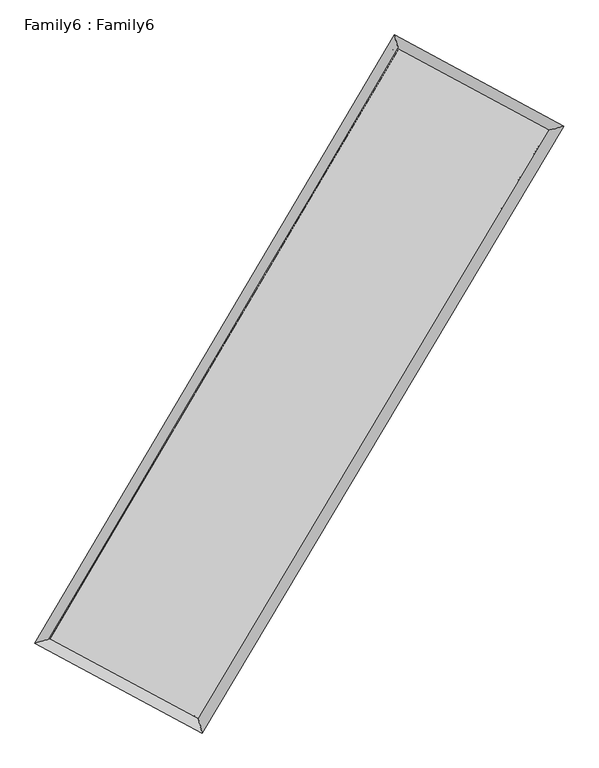
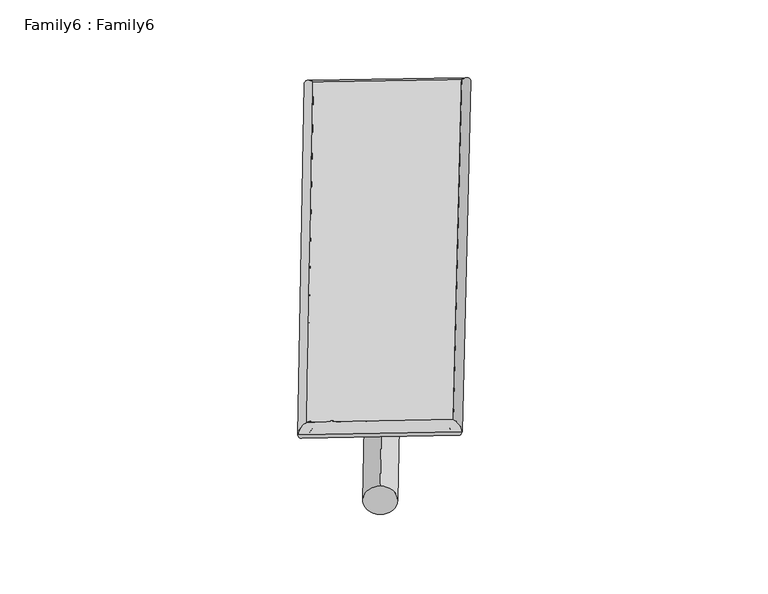
"""IFC4 building model written with IfcOpenShell, lengths in millimetres: plate geometry, Family6 : Family6."""

from ifc_helpers import new_model, si_unit, point, frame, origin, origin_2d, place, context, project, spatial, circle_curve, ellipse_curve, trimmed, segment, composite_curve, outline, extrude, source, transform, mapped, element, save
from ifc_brep_helpers import plane_surface, cylinder_surface, spline_surface, advanced_brep


def family6_family6_77a5cf37(model_context):
    return source(origin(), model_context, "Body", "SolidModel", [
        extrude(outline(composite_curve([segment(trimmed(circle_curve(origin_2d(), 76.2), [point((-75.4341514, -10.7763074))], [point((75.4341514, 10.7763074))], False, "CARTESIAN"), True, "CONTINUOUS"), segment(trimmed(circle_curve(origin_2d(), 76.2), [point((75.4341514, 10.7763074))], [point((-75.4341514, -10.7763074))], False, "CARTESIAN"), True, "CONTINUOUS")], self_intersect=False)), frame((9144.0, 9144.0, 0.0), z_axis=(0.6765342228410266, 0.6849952756315003, 0.27033852423843213), x_axis=(-0.676927868475584, 0.7230074944542079, -0.13794500296912268)), (0.0, 0.0, 1.0), 5624.5270076),
        extrude(outline(composite_curve([segment(trimmed(circle_curve(origin_2d(), 76.2), [point((-53.8815367, 53.8815367))], [point((53.8815367, -53.8815367))], False, "CARTESIAN"), True, "CONTINUOUS"), segment(trimmed(circle_curve(origin_2d(), 76.2), [point((53.8815367, -53.8815367))], [point((-53.8815367, 53.8815367))], False, "CARTESIAN"), True, "CONTINUOUS")], self_intersect=False)), frame((9144.0, 9144.0, 0.0), z_axis=(-0.6742362623265469, -0.6872027347183466, 0.27047710431671235), x_axis=(0.6397482690877615, -0.36051203063378534, 0.6787880582092748)), (0.0, 0.0, 1.0), 5621.2239324),
        extrude(outline(composite_curve([segment(trimmed(circle_curve(origin_2d(), 76.2), [point((-53.8815367, -53.8815367))], [point((53.8815367, 53.8815367))], False, "CARTESIAN"), True, "CONTINUOUS"), segment(trimmed(circle_curve(origin_2d(), 76.2), [point((53.8815367, 53.8815367))], [point((-53.8815367, -53.8815367))], False, "CARTESIAN"), True, "CONTINUOUS")], self_intersect=False)), frame((9144.0, 9144.0, 0.0), z_axis=(0.27252823529221115, 0.9216853030780328, 0.27608796253815215), x_axis=(-0.8406201228317527, 0.36768766017950566, -0.3976978672837577)), (0.0, 0.0, 1.0), 5522.0792218),
        extrude(outline(composite_curve([segment(trimmed(circle_curve(origin_2d(), 76.2), [point((-75.4341514, 10.7763073))], [point((75.4341514, -10.7763073))], False, "CARTESIAN"), True, "CONTINUOUS"), segment(trimmed(circle_curve(origin_2d(), 76.2), [point((75.4341514, -10.7763073))], [point((-75.4341514, 10.7763073))], False, "CARTESIAN"), True, "CONTINUOUS")], self_intersect=False)), frame((9144.0, 9144.0, 0.0), z_axis=(-0.2756068453730512, -0.9207125174805444, 0.27627762656095267), x_axis=(0.8778703247657169, -0.12397869983117006, 0.4625721293851452)), (0.0, 0.0, 1.0), 5517.9114404),
        advanced_brep(
        [(5141.9082919, 5221.9045535, 1520.7198465), (5566.0262121, 5340.2553099, 1520.82163), (5566.0256804, 5340.2545289, 1520.1048974), (10705.6131836, 14030.1030269, 1524.1498493), (10592.2318273, 14437.1354954, 1525.0093534), (5141.9077602, 5221.9037725, 1520.0031139), (12736.7072568, 12937.9893191, 1520.5708778), (13161.662759, 13055.5595366, 1520.4817837), (7566.9185404, 4266.7480936, 1524.4042245), (7679.5331293, 3860.4316394, 1524.5467281)],
        [
            (0, 1, ellipse_curve(frame((5353.9669861, 5281.0795412, 1520.4123719), z_axis=(-0.2687823881510898, 0.9632005527947783, -0.0008502444532254617), x_axis=(-0.9631996828877049, -0.26878335534413406, -0.0013706841262589439)), 220.1614566, 152.4)),
            (1, 2, ellipse_curve(frame((5353.9669861, 5281.0795412, 1520.4123719), z_axis=(-0.2687823881510898, 0.9632005527947783, -0.0008502444532254617), x_axis=(-0.9631996828877049, -0.26878335534413406, -0.0013706841262589439)), 220.1614566, 152.4)),
            (2, 3),
            (3, 4, ellipse_curve(frame((10648.9225055, 14233.6192611, 1524.5796013), z_axis=(-0.9633235763652592, -0.26834129463400375, 0.0007980056351466564), x_axis=(0.2683400297255998, -0.9633232277502037, -0.0014097247224346165)), 211.2649789, 152.4)),
            (4, 0),
            (2, 5, ellipse_curve(frame((5353.9669861, 5281.0795412, 1520.4123719), z_axis=(-0.2687823881510898, 0.9632005527947783, -0.0008502444532254617), x_axis=(-0.9631996828877049, -0.26878335534413406, -0.0013706841262589439)), 220.1614566, 152.4)),
            (5, 0, ellipse_curve(frame((5353.9669861, 5281.0795412, 1520.4123719), z_axis=(-0.2687823881510898, 0.9632005527947783, -0.0008502444532254617), x_axis=(-0.9631996828877049, -0.26878335534413406, -0.0013706841262589439)), 220.1614566, 152.4)),
            (4, 3, ellipse_curve(frame((10648.9225055, 14233.6192611, 1524.5796013), z_axis=(-0.9633235763652592, -0.26834129463400375, 0.0007980056351466564), x_axis=(0.2683400297255998, -0.9633232277502037, -0.0014097247224346165)), 211.2649789, 152.4)),
            (3, 6),
            (6, 7, ellipse_curve(frame((12949.1850079, 12996.7744279, 1520.5263308), z_axis=(-0.2666475937997175, 0.963793723686862, 0.0008478812612466233), x_axis=(-0.9637929069640357, -0.2666485437299022, 0.001336642261840597)), 220.4598695, 152.4)),
            (7, 4),
            (7, 6, ellipse_curve(frame((12949.1850079, 12996.7744279, 1520.5263308), z_axis=(-0.2666475937997175, 0.963793723686862, 0.0008478812612466233), x_axis=(-0.9637929069640357, -0.2666485437299022, 0.001336642261840597)), 220.4598695, 152.4)),
            (6, 8),
            (8, 9, ellipse_curve(frame((7623.2258349, 4063.5898665, 1524.4754763), z_axis=(0.9636709187219994, 0.26709113382376154, 0.0008286387847089343), x_axis=(-0.26708982643251067, 0.963670596275239, -0.0014165065395557808)), 210.8170509, 152.4)),
            (9, 7),
            (9, 8, ellipse_curve(frame((7623.2258349, 4063.5898665, 1524.4754763), z_axis=(0.9636709187219994, 0.26709113382376154, 0.0008286387847089343), x_axis=(-0.26708982643251067, 0.963670596275239, -0.0014165065395557808)), 210.8170509, 152.4)),
            (8, 1),
            (5, 9),
        ],
        [
            cylinder_surface(frame((5353.9669861, 5281.0795412, 1520.4123719), z_axis=(-0.5090725938558189, -0.8607234943143691, -0.0004006496859928824), x_axis=(-0.8607215078464641, 0.5090702854035538, 0.002435251455920203)), 152.4),
            cylinder_surface(frame((10648.9225055, 14233.6192611, 1524.5796013), z_axis=(-0.8807508759667279, 0.47357732831677, 0.0015519626902506995), x_axis=(0.47357929770885515, 0.8807501802784083, 0.0013299327572629843)), 152.4),
            cylinder_surface(frame((12949.1850079, 12996.7744279, 1520.5263308), z_axis=(0.5120933657533759, 0.8589297064196159, -0.00037971211684962084), x_axis=(0.8589297839810702, -0.5120933657533759, 0.0001046021564254707)), 152.4),
            cylinder_surface(frame((7623.2258349, 4063.5898665, 1524.4754763), z_axis=(0.8811852840895565, -0.4727684483705479, 0.0015777608539619323), x_axis=(-0.472767334290602, -0.8811866799946299, -0.0010404940172231642)), 152.4),
        ],
        [
            (0, [[1, 2, 3, 4, 5]]),
            (0, [[6, 7, -5, 8, -3]]),
            (1, [[-4, 9, 10, 11]]),
            (1, [[-8, -11, 12, -9]]),
            (2, [[-10, 13, 14, 15]]),
            (2, [[-12, -15, 16, -13]]),
            (3, [[-14, 17, -1, -7, 18]]),
            (3, [[-16, -18, -6, -2, -17]]),
        ],
    ),
        extrude(outline(composite_curve([segment(trimmed(circle_curve(origin_2d(), 304.8), [point((0.0, 304.8))], [point((0.0, -304.8))], False, "CARTESIAN"), True, "CONTINUOUS"), segment(trimmed(circle_curve(origin_2d(), 304.8), [point((0.0, -304.8))], [point((0.0, 304.8))], False, "CARTESIAN"), True, "CONTINUOUS")], self_intersect=False)), frame((11809.9680833, 13640.4562835, -9e-05), z_axis=(-0.5100007889180642, -0.8601739331687237, 1.7218075465942134e-08), x_axis=(-0.8601739331687238, 0.5100007889180642, -4.720651071764464e-09)), (0.0, 0.0, 1.0), 10454.7606249),
        advanced_brep(
        [(5353.9669861, 5281.0795412, 1520.4123719), (7623.2258349, 4063.5898665, 1524.4754763), (7623.2262733, 4063.58774, 1676.8754763), (5353.9674246, 5281.0774147, 1672.8123719), (12949.1850079, 12996.7744279, 1520.5263308), (12949.1854464, 12996.7723013, 1672.9263308), (10648.9225055, 14233.6192611, 1524.5796013), (10648.9229439, 14233.6171346, 1676.9796013)],
        [
            (0, 1),
            (1, 2),
            (2, 3),
            (3, 0),
            (1, 4),
            (4, 5),
            (5, 2),
            (4, 6),
            (6, 7),
            (7, 5),
            (6, 0),
            (3, 7),
        ],
        [
            plane_surface(frame((6488.5964105, 4672.3347039, 1522.4439241), z_axis=(-0.4727690215778086, -0.8811863889761209, -1.093556332065987e-05), x_axis=(0.8811852840895565, -0.4727684483705478, 0.0015777608539619314))),
            plane_surface(frame((10286.2054214, 8530.1821472, 1522.5009035), z_axis=(0.8589297664307382, -0.5120934057833154, -9.616776335547576e-06), x_axis=(0.512093365753376, 0.8589297064196159, -0.00037971211684962176))),
            plane_surface(frame((11799.0537567, 13615.1968445, 1522.552966), z_axis=(0.4735779135522153, 0.8807519285679298, 1.0927173767024301e-05), x_axis=(-0.8807508759667279, 0.4735773283167701, 0.0015519626902506987))),
            plane_surface(frame((8001.4447458, 9757.3494012, 1522.4959866), z_axis=(-0.8607235653105146, 0.509072631387098, 9.579786446151919e-06), x_axis=(-0.509072593855819, -0.8607234943143689, -0.0004006496859928831))),
            spline_surface(1, 1, [[(7623.2262733, 4063.58774, 1676.8754763), (5353.9674246, 5281.0774147, 1672.8123719)], [(12949.1854464, 12996.7723013, 1672.9263308), (10648.9229439, 14233.6171346, 1676.9796013)]], [2, 2], [2, 2], [0.0, 1.0], [0.0, 1.0]),
            spline_surface(1, 1, [[(10648.9225055, 14233.6192611, 1524.5796013), (5353.9669861, 5281.0795412, 1520.4123719)], [(12949.1850079, 12996.7744279, 1520.5263308), (7623.2258349, 4063.5898665, 1524.4754763)]], [2, 2], [2, 2], [0.0, 1.0], [0.0, 1.0]),
        ],
        [
            (0, [[1, 2, 3, 4]]),
            (1, [[5, 6, 7, -2]]),
            (2, [[8, 9, 10, -6]]),
            (3, [[11, -4, 12, -9]]),
            (4, [[-3, -7, -10, -12]]),
            (5, [[-11, -8, -5, -1]]),
        ],
    ),
    ])


if __name__ == "__main__":
    model = new_model("IFC4")
    model_context = context("Model", 3, world=origin())
    ifc_project = project(units=[si_unit("LENGTHUNIT", "METRE", prefix="MILLI")], contexts=[model_context])
    site = spatial("IfcSite", under=ifc_project)
    building = spatial("IfcBuilding", under=site)
    placement = place(None, origin())
    family6_family6_shape = family6_family6_77a5cf37(model_context)
    element("IfcPlate", 1, ObjectType="Family6 : Family6", at=placement, inside=building, context=model_context, shape_type="MappedRepresentation", body=[
        mapped(family6_family6_shape, transform((0.0, 0.0, 0.0), x_axis=(1.0, 0.0, 0.0), y_axis=(0.0, 1.0, 0.0), z_axis=(0.0, 0.0, 1.0))),
    ])
    save(model, "model.ifc")
